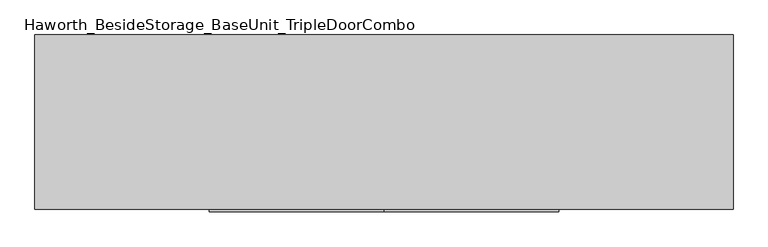
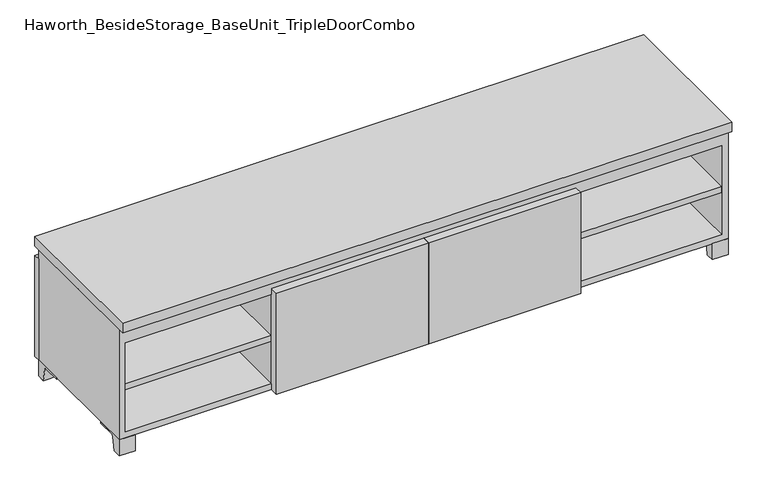
"""IFC4 building model written with IfcOpenShell, lengths in millimetres: furniture geometry, Haworth_BesideStorage_BaseUnit_TripleDoorCombo."""

from ifc_helpers import new_model, si_unit, point, frame, frame_2d, origin, place, context, project, spatial, polyline, circle_curve, trimmed, segment, composite_curve, outline, extrude, source, transform, mapped, element, save


def haworth_besidestorage_baseunit_tripledoorcombo_21531131(model_context):
    return source(origin(), model_context, "Body", "SweptSolid", [
        extrude(outline(polyline([(457.2069453, 241.3), (895.3569453, 241.3), (895.3569453, -142.875), (457.2069453, -142.875), (457.2069453, 241.3)])), frame((0.0, 0.0, 201.6125), z_axis=(0.0, 0.0, 1.0), x_axis=(1.0, 0.0, 0.0)), (0.0, 0.0, 1.0), 19.05),
        extrude(outline(polyline([(-457.1791641, 241.3), (-457.1791641, -142.875), (-895.3291641, -142.875), (-895.3291641, 241.3), (-457.1791641, 241.3)])), frame((0.0, 0.0, 201.6125), z_axis=(0.0, 0.0, 1.0), x_axis=(1.0, 0.0, 0.0)), (0.0, 0.0, 1.0), 19.05),
        extrude(outline(polyline([(438.1638906, 241.3), (438.1638906, -142.875), (-438.1361094, -142.875), (-438.1361094, 241.3), (438.1638906, 241.3)])), frame((0.0, 0.0, 201.6125), z_axis=(0.0, 0.0, 1.0), x_axis=(1.0, 0.0, 0.0)), (0.0, 0.0, 1.0), 19.05),
        extrude(outline(composite_curve([segment(polyline([(47.6249864, 0.0), (22.225, 0.0), (22.225, 50.8), (117.475, 50.8), (117.475, 46.0213321), (60.6744655, 46.0213321)]), True, "CONTINUOUS"), segment(trimmed(circle_curve(frame_2d((60.6744655, 39.6713321)), 6.35), [point((60.6744655, 46.0213321))], [point((54.4108641, 40.7152656))], True, "CARTESIAN"), True, "CONTINUOUS"), segment(polyline([(54.4108641, 40.7152656), (47.6249864, 0.0)]), True, "CONTINUOUS")], self_intersect=False)), frame((-23.7986094, 0.0, 0.0), z_axis=(1.0, 0.0, 0.0), x_axis=(0.0, 1.0, 0.0)), (0.0, 0.0, 1.0), 47.625),
        extrude(outline(polyline([(914.4138906, 292.1), (914.4138906, -165.1), (-914.3861094, -165.1), (-914.3861094, 292.1), (914.4138906, 292.1)])), frame((0.0, 0.0, 401.6375), z_axis=(0.0, 0.0, 1.0), x_axis=(1.0, 0.0, 0.0)), (0.0, 0.0, 1.0), 30.1625),
        extrude(outline(composite_curve([segment(polyline([(-120.6500136, 0.0), (-146.05, 0.0), (-146.05, 50.8), (-50.8, 50.8), (-50.8, 46.0213321), (-107.6005345, 46.0213321)]), True, "CONTINUOUS"), segment(trimmed(circle_curve(frame_2d((-107.6005345, 39.6713321)), 6.35), [point((-107.6005345, 46.0213321))], [point((-113.8641359, 40.7152656))], True, "CARTESIAN"), True, "CONTINUOUS"), segment(polyline([(-113.8641359, 40.7152656), (-120.6500136, 0.0)]), True, "CONTINUOUS")], self_intersect=False)), frame((866.7888906, 0.0, 0.0), z_axis=(1.0, 0.0, 0.0), x_axis=(0.0, 1.0, 0.0)), (0.0, 0.0, 1.0), 47.625),
        extrude(outline(composite_curve([segment(polyline([(247.6500136, 0.0), (240.8641359, 40.7152656)]), True, "CONTINUOUS"), segment(trimmed(circle_curve(frame_2d((234.6005345, 39.6713321)), 6.35), [point((240.8641359, 40.7152656))], [point((234.6005345, 46.0213321))], True, "CARTESIAN"), True, "CONTINUOUS"), segment(polyline([(234.6005345, 46.0213321), (177.8, 46.0213321), (177.8, 50.8), (273.05, 50.8), (273.05, 0.0), (247.6500136, 0.0)]), True, "CONTINUOUS")], self_intersect=False)), frame((866.7888906, 0.0, 0.0), z_axis=(1.0, 0.0, 0.0), x_axis=(0.0, 1.0, 0.0)), (0.0, 0.0, 1.0), 47.625),
        extrude(outline(composite_curve([segment(polyline([(-120.6500136, 0.0), (-146.05, 0.0), (-146.05, 50.8), (-50.8, 50.8), (-50.8, 46.0213321), (-107.6005345, 46.0213321)]), True, "CONTINUOUS"), segment(trimmed(circle_curve(frame_2d((-107.6005345, 39.6713321)), 6.35), [point((-107.6005345, 46.0213321))], [point((-113.8641359, 40.7152656))], True, "CARTESIAN"), True, "CONTINUOUS"), segment(polyline([(-113.8641359, 40.7152656), (-120.6500136, 0.0)]), True, "CONTINUOUS")], self_intersect=False)), frame((-914.3861094, 0.0, 0.0), z_axis=(1.0, 0.0, 0.0), x_axis=(0.0, 1.0, 0.0)), (0.0, 0.0, 1.0), 47.625),
        extrude(outline(composite_curve([segment(polyline([(247.6500136, 0.0), (240.8641359, 40.7152656)]), True, "CONTINUOUS"), segment(trimmed(circle_curve(frame_2d((234.6005345, 39.6713321)), 6.35), [point((240.8641359, 40.7152656))], [point((234.6005345, 46.0213321))], True, "CARTESIAN"), True, "CONTINUOUS"), segment(polyline([(234.6005345, 46.0213321), (177.8, 46.0213321), (177.8, 50.8), (273.05, 50.8), (273.05, 0.0), (247.6500136, 0.0)]), True, "CONTINUOUS")], self_intersect=False)), frame((-914.3861094, 0.0, 0.0), z_axis=(1.0, 0.0, 0.0), x_axis=(0.0, 1.0, 0.0)), (0.0, 0.0, 1.0), 47.625),
        extrude(outline(polyline([(0.0138906, -171.45), (0.0138906, -146.05), (457.2138906, -146.05), (457.2138906, -171.45), (0.0138906, -171.45)])), frame((0.0, 0.0, 50.8), z_axis=(0.0, 0.0, 1.0), x_axis=(1.0, 0.0, 0.0)), (0.0, 0.0, 1.0), 320.675),
        extrude(outline(polyline([(0.0138906, -171.45), (-457.1861094, -171.45), (-457.1861094, -146.05), (0.0138906, -146.05), (0.0138906, -171.45)])), frame((0.0, 0.0, 50.8), z_axis=(0.0, 0.0, 1.0), x_axis=(1.0, 0.0, 0.0)), (0.0, 0.0, 1.0), 320.675),
        extrude(outline(polyline([(-888.9791641, -120.65), (-888.9791641, 247.65), (-873.1041641, 247.65), (-873.1041641, 73.025), (-7.9236094, 73.025), (-7.9236094, 247.65), (7.9513906, 247.65), (7.9513906, 73.025), (873.1111094, 73.025), (873.1111094, 247.65), (888.9861094, 247.65), (888.9861094, -120.65), (873.1111094, -120.65), (873.1111094, 53.975), (7.9513906, 53.975), (7.9513906, -120.65), (-7.9236094, -120.65), (-7.9236094, 53.975), (-873.1041641, 53.975), (-873.1041641, -120.65), (-888.9791641, -120.65)])), frame((0.0, 0.0, 371.475), z_axis=(0.0, 0.0, 1.0), x_axis=(1.0, 0.0, 0.0)), (0.0, 0.0, 1.0), 30.1625),
        extrude(outline(polyline([(457.2138906, 241.3), (457.2138906, -142.875), (438.1638906, -142.875), (438.1638906, 241.3), (457.2138906, 241.3)])), frame((0.0, 0.0, 69.85), z_axis=(0.0, 0.0, 1.0), x_axis=(1.0, 0.0, 0.0)), (0.0, 0.0, 1.0), 282.575),
        extrude(outline(polyline([(-438.1361094, 241.3), (-438.1361094, -142.875), (-457.1861094, -142.875), (-457.1861094, 241.3), (-438.1361094, 241.3)])), frame((0.0, 0.0, 69.85), z_axis=(0.0, 0.0, 1.0), x_axis=(1.0, 0.0, 0.0)), (0.0, 0.0, 1.0), 282.575),
        extrude(outline(polyline([(914.4138906, 273.05), (-914.3861094, 273.05), (-914.3861094, 292.1), (914.4138906, 292.1), (914.4138906, 273.05)])), frame((0.0, 0.0, 50.8), z_axis=(0.0, 0.0, 1.0), x_axis=(1.0, 0.0, 0.0)), (0.0, 0.0, 1.0), 320.675),
        extrude(outline(polyline([(50.8, -914.3861094), (50.8, 914.4138906), (401.6375, 914.4138906), (401.6375, -914.3861094), (50.8, -914.3861094)]), holes=[polyline([(69.85, -895.3361094), (352.425, -895.3361094), (352.425, 895.3569453), (69.85, 895.3569453), (69.85, -895.3361094)])]), frame((0.0, -146.05, 0.0), z_axis=(0.0, 1.0, 0.0), x_axis=(0.0, 0.0, 1.0)), (0.0, 0.0, 1.0), 419.1),
        extrude(outline(polyline([(-895.3291641, 241.3), (-895.3291641, 247.65), (895.3569453, 247.65), (895.3569453, 241.3), (-895.3291641, 241.3)])), frame((0.0, 0.0, 69.85), z_axis=(0.0, 0.0, 1.0), x_axis=(1.0, 0.0, 0.0)), (0.0, 0.0, 1.0), 282.575),
    ])


if __name__ == "__main__":
    model = new_model("IFC4")
    model_context = context("Model", 3, world=origin())
    ifc_project = project(units=[si_unit("LENGTHUNIT", "METRE", prefix="MILLI")], contexts=[model_context])
    site = spatial("IfcSite", under=ifc_project)
    building = spatial("IfcBuilding", under=site)
    placement = place(None, origin())
    haworth_besidestorage_baseunit_tripledoorcombo_shape = haworth_besidestorage_baseunit_tripledoorcombo_21531131(model_context)
    element("IfcFurniture", 1, ObjectType="Haworth_BesideStorage_BaseUnit_TripleDoorCombo", at=placement, inside=building, context=model_context, shape_type="MappedRepresentation", body=[
        mapped(haworth_besidestorage_baseunit_tripledoorcombo_shape, transform((0.0, 0.0, 0.0), x_axis=(1.0, 0.0, 0.0), y_axis=(0.0, 1.0, 0.0), z_axis=(0.0, 0.0, 1.0))),
    ])
    save(model, "model.ifc")
